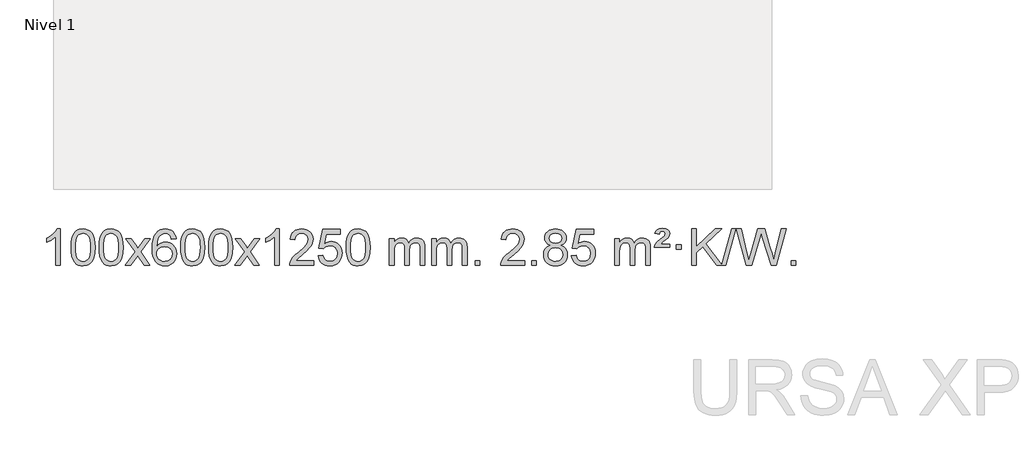
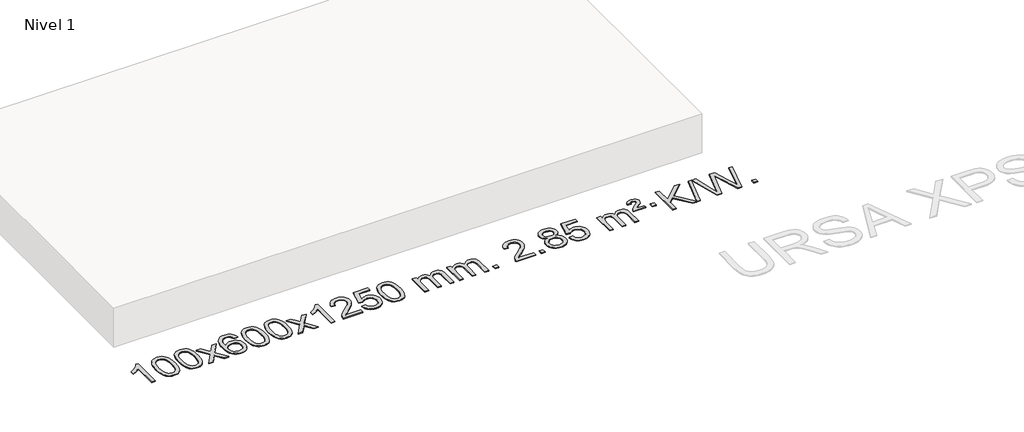
# One storey, part 2 of 7: 1 proxy.
"""IFC4 building model written with IfcOpenShell, lengths in millimetres."""

from ifc_helpers import new_model, si_unit, origin, origin_with_axes, place, context, project, spatial, polyline, outline, extrude, element, save

model = new_model("IFC4")

# Units and contexts
model_context = context("Model", 3, world=origin())
ifc_project = project(units=[si_unit("LENGTHUNIT", "METRE", prefix="MILLI")], contexts=[model_context])

# Site, building, storey
site = spatial("IfcSite", under=ifc_project)
building = spatial("IfcBuilding", under=site)
storey = spatial("IfcBuildingStorey", under=building, Name="Nivel 1", Elevation=0.0)

# Proxy
placement = place(None, origin())
element("IfcBuildingElementProxy", 1, Name="Texto de modelo 1", ObjectType="Texto de modelo 1", at=placement, inside=storey, context=model_context, shape_type="SweptSolid", body=[
    extrude(outline(polyline([(-25945.4422492, -12784.6168569), (-25995.6704043, -12784.6168569), (-25995.6704043, -12471.4757026), (-26016.639678, -12488.4350626), (-26043.249809, -12505.3698971), (-26096.1267145, -12530.7292293), (-26096.1267145, -12483.2479264), (-26056.6775018, -12461.7881434), (-26022.5012645, -12436.2571329), (-25995.5600397, -12409.1074417), (-25977.8158648, -12382.7916163), (-25945.4422492, -12382.7916163), (-25945.4422492, -12784.6168569)])), origin_with_axes(), (0.0, 0.0, 1.0), 10.0),
    extrude(outline(polyline([(-25826.1503809, -12586.9415981), (-25822.4592982, -12522.6235626), (-25811.3860502, -12471.3285498), (-25793.0410014, -12432.2717446), (-25781.1829384, -12417.0383643), (-25767.5345164, -12404.6683323), (-25752.0497501, -12395.097269), (-25734.6826542, -12388.2607953), (-25694.3014739, -12382.7916163), (-25663.3503353, -12386.0289778), (-25635.6365584, -12395.7410625), (-25612.4599927, -12411.5477256), (-25595.120488, -12433.0688223), (-25582.0238889, -12460.1204117), (-25571.5760403, -12492.5185527), (-25564.7334352, -12533.6600225), (-25562.4525668, -12586.9415981), (-25566.1068613, -12650.8917516), (-25577.0697447, -12702.0641372), (-25595.304429, -12741.1577305), (-25607.1349008, -12756.437096), (-25620.7741258, -12768.8715075), (-25636.2772862, -12778.5069501), (-25653.6995643, -12785.3894091), (-25694.3014739, -12790.8953763), (-25721.9661999, -12788.5041433), (-25746.4916662, -12781.3304444), (-25767.8778729, -12769.3742795), (-25786.1248199, -12752.6356488), (-25803.6360028, -12722.3773547), (-25816.1439907, -12684.6755815), (-25823.6487834, -12639.5303293), (-25826.1503809, -12586.9415981)]), holes=[polyline([(-25775.9222259, -12586.8434963), (-25774.4506979, -12630.5080234), (-25770.0361139, -12665.8522861), (-25762.678474, -12692.8762843), (-25752.3777782, -12711.5800181), (-25739.9188413, -12724.3056694), (-25726.0864782, -12733.3954204), (-25710.8806891, -12738.849271), (-25694.3014739, -12740.6672212), (-25677.7222586, -12738.8431396), (-25662.5164695, -12733.3708949), (-25648.6841065, -12724.2504871), (-25636.2251696, -12711.4819162), (-25625.9244737, -12692.7475256), (-25618.5668338, -12665.7296588), (-25614.1522498, -12630.4283156), (-25612.6807219, -12586.8434963), (-25614.1031989, -12544.3347317), (-25618.3706301, -12509.6128027), (-25625.4830153, -12482.6777093), (-25635.4403546, -12463.5294515), (-25647.6908251, -12450.1814664), (-25661.6826036, -12440.6471914), (-25677.4156903, -12434.9266264), (-25694.8900851, -12433.0197713), (-25711.3834612, -12434.6997658), (-25726.3317329, -12439.7397491), (-25739.7349003, -12448.1397213), (-25751.5929632, -12459.8996825), (-25762.2370156, -12480.7463289), (-25769.8399102, -12508.8525133), (-25774.4016469, -12544.2182358), (-25775.9222259, -12586.8434963)])]), origin_with_axes(), (0.0, 0.0, 1.0), 10.0),
    extrude(outline(polyline([(-25518.5029311, -12586.9415981), (-25514.8118484, -12522.6235626), (-25503.7386004, -12471.3285498), (-25485.3935515, -12432.2717446), (-25473.5354886, -12417.0383643), (-25459.8870665, -12404.6683323), (-25444.4023002, -12395.097269), (-25427.0352044, -12388.2607953), (-25386.654024, -12382.7916163), (-25355.7028855, -12386.0289778), (-25327.9891085, -12395.7410625), (-25304.8125428, -12411.5477256), (-25287.4730381, -12433.0688223), (-25274.3764391, -12460.1204117), (-25263.9285904, -12492.5185527), (-25257.0859853, -12533.6600225), (-25254.805117, -12586.9415981), (-25258.4594114, -12650.8917516), (-25269.4222949, -12702.0641372), (-25287.6569791, -12741.1577305), (-25299.487451, -12756.437096), (-25313.1266759, -12768.8715075), (-25328.6298363, -12778.5069501), (-25346.0521145, -12785.3894091), (-25386.654024, -12790.8953763), (-25414.3187501, -12788.5041433), (-25438.8442164, -12781.3304444), (-25460.2304231, -12769.3742795), (-25478.47737, -12752.6356488), (-25495.988553, -12722.3773547), (-25508.4965408, -12684.6755815), (-25516.0013335, -12639.5303293), (-25518.5029311, -12586.9415981)]), holes=[polyline([(-25468.274776, -12586.8434963), (-25466.803248, -12630.5080234), (-25462.3886641, -12665.8522861), (-25455.0310242, -12692.8762843), (-25444.7303283, -12711.5800181), (-25432.2713914, -12724.3056694), (-25418.4390284, -12733.3954204), (-25403.2332393, -12738.849271), (-25386.654024, -12740.6672212), (-25370.0748088, -12738.8431396), (-25354.8690196, -12733.3708949), (-25341.0366566, -12724.2504871), (-25328.5777197, -12711.4819162), (-25318.2770239, -12692.7475256), (-25310.919384, -12665.7296588), (-25306.5048, -12630.4283156), (-25305.033272, -12586.8434963), (-25306.4557491, -12544.3347317), (-25310.7231802, -12509.6128027), (-25317.8355655, -12482.6777093), (-25327.7929048, -12463.5294515), (-25340.0433752, -12450.1814664), (-25354.0351538, -12440.6471914), (-25369.7682404, -12434.9266264), (-25387.2426352, -12433.0197713), (-25403.7360113, -12434.6997658), (-25418.6842831, -12439.7397491), (-25432.0874504, -12448.1397213), (-25443.9455134, -12459.8996825), (-25454.5895658, -12480.7463289), (-25462.1924604, -12508.8525133), (-25466.7541971, -12544.2182358), (-25468.274776, -12586.8434963)])]), origin_with_axes(), (0.0, 0.0, 1.0), 10.0),
    extrude(outline(polyline([(-25229.6910394, -12784.6168569), (-25122.3675987, -12636.2868364), (-25223.41252, -12489.5264458), (-25162.981771, -12489.5264458), (-25114.2251439, -12560.1597889), (-25091.4655111, -12593.5144231), (-25071.7470362, -12566.2421045), (-25016.2213804, -12489.5264458), (-24955.7906313, -12489.5264458), (-25061.9368496, -12636.2868364), (-24959.7147059, -12784.6168569), (-25020.145455, -12784.6168569), (-25081.6553246, -12695.4422612), (-25092.9370391, -12679.1573516), (-25169.2602903, -12784.6168569), (-25229.6910394, -12784.6168569)])), origin_with_axes(), (0.0, 0.0, 1.0), 10.0),
    extrude(outline(polyline([(-24670.9028142, -12489.5264458), (-24721.1309693, -12495.8049652), (-24729.2243732, -12470.9116168), (-24740.1627312, -12453.9154687), (-24762.9468894, -12438.2436957), (-24790.4889881, -12433.0197713), (-24813.8372321, -12436.0609292), (-24835.8120499, -12445.1844027), (-24854.6843963, -12464.4001055), (-24870.0986519, -12490.850821), (-24880.5097123, -12528.2644199), (-24884.3724733, -12580.3687731), (-24864.2248027, -12556.8611137), (-24840.0794811, -12540.2941611), (-24813.2854091, -12530.4717119), (-24785.1914874, -12527.1975621), (-24761.0584285, -12529.4355109), (-24738.7893051, -12536.1493573), (-24718.3841171, -12547.3391013), (-24699.8428645, -12563.004743), (-24684.4347403, -12582.2143145), (-24673.4289372, -12604.0358482), (-24666.8254554, -12628.469344), (-24664.6242948, -12655.514802), (-24668.7690986, -12691.4813984), (-24681.2035101, -12724.8237699), (-24700.8974596, -12753.1016326), (-24726.8208775, -12773.8747026), (-24757.7965415, -12786.6402078), (-24792.6472291, -12790.8953763), (-24822.5897579, -12788.0749476), (-24849.6321502, -12779.6136617), (-24873.7744061, -12765.5115186), (-24895.0165257, -12745.7685182), (-24912.3345706, -12719.5507947), (-24924.7046027, -12686.0244822), (-24932.1266219, -12645.1895807), (-24934.6006284, -12597.0460903), (-24931.8537761, -12543.0716702), (-24923.6132194, -12497.006713), (-24909.8789583, -12458.8512188), (-24890.6509927, -12428.6051874), (-24869.8104776, -12408.56175), (-24845.6467619, -12394.2450091), (-24818.1598455, -12385.6549645), (-24787.3497284, -12382.7916163), (-24764.2160823, -12384.5635812), (-24743.2774654, -12389.879476), (-24724.5338777, -12398.7393008), (-24707.9853193, -12411.1430554), (-24694.0793799, -12426.6738069), (-24683.2636492, -12444.9146225), (-24675.5381274, -12465.8655021), (-24670.9028142, -12489.5264458)]), holes=[polyline([(-24884.3724733, -12654.7299871), (-24881.4662055, -12676.9868478), (-24872.7474022, -12698.2381644), (-24859.2093448, -12716.5096368), (-24841.8453146, -12729.8269651), (-24820.8883036, -12737.9571571), (-24796.5713038, -12740.6672212), (-24763.425136, -12735.0508894), (-24749.5099995, -12728.0304746), (-24737.366828, -12718.201894), (-24727.5167876, -12705.9636863), (-24720.4810444, -12691.7143904), (-24714.8524499, -12657.1825337), (-24720.407468, -12624.036366), (-24727.3512407, -12610.4155351), (-24737.0725224, -12598.7628729), (-24749.2524821, -12589.4278673), (-24763.5722888, -12582.7600061), (-24798.6314429, -12577.4257172), (-24831.7285598, -12582.7600061), (-24859.4055485, -12598.7628729), (-24870.3285781, -12610.2622509), (-24878.1307421, -12623.4232293), (-24882.8120405, -12638.245808), (-24884.3724733, -12654.7299871)])]), origin_with_axes(), (0.0, 0.0, 1.0), 10.0),
    extrude(outline(polyline([(-24620.6746591, -12586.9415981), (-24616.9835765, -12522.6235626), (-24605.9103284, -12471.3285498), (-24587.5652796, -12432.2717446), (-24575.7072166, -12417.0383643), (-24562.0587946, -12404.6683323), (-24546.5740283, -12395.097269), (-24529.2069324, -12388.2607953), (-24488.8257521, -12382.7916163), (-24457.8746135, -12386.0289778), (-24430.1608366, -12395.7410625), (-24406.9842709, -12411.5477256), (-24389.6447662, -12433.0688223), (-24376.5481671, -12460.1204117), (-24366.1003185, -12492.5185527), (-24359.2577134, -12533.6600225), (-24356.976845, -12586.9415981), (-24360.6311395, -12650.8917516), (-24371.5940229, -12702.0641372), (-24389.8287072, -12741.1577305), (-24401.659179, -12756.437096), (-24415.298404, -12768.8715075), (-24430.8015644, -12778.5069501), (-24448.2238425, -12785.3894091), (-24488.8257521, -12790.8953763), (-24516.4904781, -12788.5041433), (-24541.0159444, -12781.3304444), (-24562.4021511, -12769.3742795), (-24580.6490981, -12752.6356488), (-24598.160281, -12722.3773547), (-24610.6682689, -12684.6755815), (-24618.1730616, -12639.5303293), (-24620.6746591, -12586.9415981)]), holes=[polyline([(-24570.4465041, -12586.8434963), (-24568.9749761, -12630.5080234), (-24564.5603921, -12665.8522861), (-24557.2027522, -12692.8762843), (-24546.9020564, -12711.5800181), (-24534.4431195, -12724.3056694), (-24520.6107564, -12733.3954204), (-24505.4049673, -12738.849271), (-24488.8257521, -12740.6672212), (-24472.2465368, -12738.8431396), (-24457.0407477, -12733.3708949), (-24443.2083847, -12724.2504871), (-24430.7494478, -12711.4819162), (-24420.4487519, -12692.7475256), (-24413.091112, -12665.7296588), (-24408.676528, -12630.4283156), (-24407.2050001, -12586.8434963), (-24408.6274771, -12544.3347317), (-24412.8949083, -12509.6128027), (-24420.0072935, -12482.6777093), (-24429.9646328, -12463.5294515), (-24442.2151033, -12450.1814664), (-24456.2068818, -12440.6471914), (-24471.9399685, -12434.9266264), (-24489.4143633, -12433.0197713), (-24505.9077394, -12434.6997658), (-24520.8560111, -12439.7397491), (-24534.2591785, -12448.1397213), (-24546.1172414, -12459.8996825), (-24556.7612938, -12480.7463289), (-24564.3641884, -12508.8525133), (-24568.9259251, -12544.2182358), (-24570.4465041, -12586.8434963)])]), origin_with_axes(), (0.0, 0.0, 1.0), 10.0),
    extrude(outline(polyline([(-24313.0272093, -12586.9415981), (-24309.3361266, -12522.6235626), (-24298.2628786, -12471.3285498), (-24279.9178297, -12432.2717446), (-24268.0597668, -12417.0383643), (-24254.4113447, -12404.6683323), (-24238.9265784, -12395.097269), (-24221.5594826, -12388.2607953), (-24181.1783022, -12382.7916163), (-24150.2271637, -12386.0289778), (-24122.5133867, -12395.7410625), (-24099.336821, -12411.5477256), (-24081.9973163, -12433.0688223), (-24068.9007173, -12460.1204117), (-24058.4528686, -12492.5185527), (-24051.6102635, -12533.6600225), (-24049.3293952, -12586.9415981), (-24052.9836896, -12650.8917516), (-24063.9465731, -12702.0641372), (-24082.1812573, -12741.1577305), (-24094.0117292, -12756.437096), (-24107.6509541, -12768.8715075), (-24123.1541145, -12778.5069501), (-24140.5763927, -12785.3894091), (-24181.1783022, -12790.8953763), (-24208.8430283, -12788.5041433), (-24233.3684946, -12781.3304444), (-24254.7547013, -12769.3742795), (-24273.0016482, -12752.6356488), (-24290.5128312, -12722.3773547), (-24303.020819, -12684.6755815), (-24310.5256117, -12639.5303293), (-24313.0272093, -12586.9415981)]), holes=[polyline([(-24262.7990542, -12586.8434963), (-24261.3275262, -12630.5080234), (-24256.9129423, -12665.8522861), (-24249.5553024, -12692.8762843), (-24239.2546065, -12711.5800181), (-24226.7956696, -12724.3056694), (-24212.9633066, -12733.3954204), (-24197.7575175, -12738.849271), (-24181.1783022, -12740.6672212), (-24164.599087, -12738.8431396), (-24149.3932978, -12733.3708949), (-24135.5609348, -12724.2504871), (-24123.1019979, -12711.4819162), (-24112.8013021, -12692.7475256), (-24105.4436622, -12665.7296588), (-24101.0290782, -12630.4283156), (-24099.5575502, -12586.8434963), (-24100.9800273, -12544.3347317), (-24105.2474584, -12509.6128027), (-24112.3598437, -12482.6777093), (-24122.317183, -12463.5294515), (-24134.5676534, -12450.1814664), (-24148.559432, -12440.6471914), (-24164.2925187, -12434.9266264), (-24181.7669134, -12433.0197713), (-24198.2602895, -12434.6997658), (-24213.2085613, -12439.7397491), (-24226.6117286, -12448.1397213), (-24238.4697916, -12459.8996825), (-24249.113844, -12480.7463289), (-24256.7167386, -12508.8525133), (-24261.2784753, -12544.2182358), (-24262.7990542, -12586.8434963)])]), origin_with_axes(), (0.0, 0.0, 1.0), 10.0),
    extrude(outline(polyline([(-24024.2153176, -12784.6168569), (-23916.8918769, -12636.2868364), (-24017.9367982, -12489.5264458), (-23957.5060492, -12489.5264458), (-23908.7494221, -12560.1597889), (-23885.9897893, -12593.5144231), (-23866.2713144, -12566.2421045), (-23810.7456586, -12489.5264458), (-23750.3149095, -12489.5264458), (-23856.4611278, -12636.2868364), (-23754.2389841, -12784.6168569), (-23814.6697332, -12784.6168569), (-23876.1796028, -12695.4422612), (-23887.4613173, -12679.1573516), (-23963.7845685, -12784.6168569), (-24024.2153176, -12784.6168569)])), origin_with_axes(), (0.0, 0.0, 1.0), 10.0),
    extrude(outline(polyline([(-23534.4908056, -12784.6168569), (-23584.7189607, -12784.6168569), (-23584.7189607, -12471.4757026), (-23605.6882344, -12488.4350626), (-23632.2983654, -12505.3698971), (-23685.1752709, -12530.7292293), (-23685.1752709, -12483.2479264), (-23645.7260583, -12461.7881434), (-23611.5498209, -12436.2571329), (-23584.6085961, -12409.1074417), (-23566.8644212, -12382.7916163), (-23534.4908056, -12382.7916163), (-23534.4908056, -12784.6168569)])), origin_with_axes(), (0.0, 0.0, 1.0), 10.0),
    extrude(outline(polyline([(-23157.7796426, -12734.3887018), (-23157.7796426, -12784.6168569), (-23421.4774567, -12784.6168569), (-23420.3738107, -12766.9339956), (-23416.0818541, -12749.9868984), (-23403.6964936, -12722.9230463), (-23385.572174, -12696.6685346), (-23359.3544505, -12669.1877495), (-23322.6888783, -12638.4450775), (-23268.4875977, -12590.301587), (-23235.9668293, -12554.7641863), (-23219.7064451, -12525.9222379), (-23214.286317, -12497.8651044), (-23219.3998768, -12472.7142386), (-23234.740556, -12451.8062786), (-23258.3217919, -12437.7163982), (-23288.1570217, -12433.0197713), (-23319.4883049, -12437.6060336), (-23343.8298303, -12451.3648202), (-23359.5383915, -12473.2170107), (-23364.9707823, -12502.0834846), (-23415.1989373, -12495.8049652), (-23410.8793896, -12469.8754159), (-23403.0220433, -12447.2200164), (-23391.6268985, -12427.8387666), (-23376.6939552, -12411.7316666), (-23358.5665699, -12399.0703946), (-23337.5880991, -12390.0266288), (-23313.7585429, -12384.6003694), (-23287.0779012, -12382.7916163), (-23260.1581362, -12384.8027045), (-23236.1998212, -12390.8359692), (-23215.2029563, -12400.8914104), (-23197.1675415, -12414.9690281), (-23182.682188, -12432.02649), (-23172.3355069, -12451.0214636), (-23166.1274982, -12471.9539492), (-23164.058162, -12494.8239465), (-23166.2899794, -12518.8466408), (-23172.9854317, -12542.4524022), (-23184.8680202, -12566.4628337), (-23202.661246, -12591.6995386), (-23231.0249478, -12621.829074), (-23274.6189643, -12660.5179972), (-23332.400963, -12708.8331659), (-23355.0624939, -12734.3887018), (-23157.7796426, -12734.3887018)])), origin_with_axes(), (0.0, 0.0, 1.0), 10.0),
    extrude(outline(polyline([(-23107.5514875, -12677.8820273), (-23057.3233324, -12671.603508), (-23048.1017571, -12701.7575688), (-23032.0130512, -12723.3522419), (-23009.1307911, -12736.3384764), (-22979.5285532, -12740.6672212), (-22960.3986894, -12739.1619707), (-22943.5251686, -12734.6462192), (-22928.9079907, -12727.1199667), (-22916.5471556, -12716.5832132), (-22906.718575, -12703.5571249), (-22899.6981602, -12688.5628679), (-22894.0818284, -12652.6698479), (-22899.342541, -12618.8737553), (-22905.9184316, -12604.9555532), (-22915.1246786, -12593.0239138), (-22926.9919386, -12583.4528505), (-22941.5508686, -12576.6163768), (-22978.7437383, -12571.1471978), (-23003.1097891, -12573.3299643), (-23022.8405268, -12579.8782638), (-23038.5981389, -12589.9091796), (-23051.044813, -12602.5397947), (-23101.2729681, -12596.2612753), (-23057.3233324, -12389.0701357), (-22862.6892315, -12389.0701357), (-22862.6892315, -12439.2982907), (-23016.7091602, -12439.2982907), (-23038.1934687, -12549.9571949), (-23020.4676879, -12537.2530033), (-23002.3127114, -12528.1785808), (-22983.7285393, -12522.7339272), (-22964.7151715, -12520.9190427), (-22940.2540845, -12523.1692543), (-22917.7856917, -12529.9198889), (-22897.3099929, -12541.1709466), (-22878.8269884, -12556.9224273), (-22863.5261631, -12576.2117066), (-22852.5970021, -12598.0761598), (-22846.0395056, -12622.5157871), (-22843.8536734, -12649.5305882), (-22845.821842, -12675.552108), (-22851.7263481, -12699.7587433), (-22861.5671914, -12722.1504941), (-22875.3443722, -12742.7273604), (-22896.215544, -12763.8008673), (-22920.5693321, -12778.8533723), (-22948.4057364, -12787.8848753), (-22979.7247569, -12790.8953763), (-23005.6451092, -12788.9609301), (-23029.0577325, -12783.1575916), (-23049.9626268, -12773.4853608), (-23068.3597923, -12759.9442377), (-23083.666749, -12743.2086726), (-23095.3010171, -12723.9531159), (-23103.2625966, -12702.1775674), (-23107.5514875, -12677.8820273)])), origin_with_axes(), (0.0, 0.0, 1.0), 10.0),
    extrude(outline(polyline([(-22799.9040377, -12586.9415981), (-22796.212955, -12522.6235626), (-22785.1397069, -12471.3285498), (-22766.7946581, -12432.2717446), (-22754.9365951, -12417.0383643), (-22741.2881731, -12404.6683323), (-22725.8034068, -12395.097269), (-22708.4363109, -12388.2607953), (-22668.0551306, -12382.7916163), (-22637.1039921, -12386.0289778), (-22609.3902151, -12395.7410625), (-22586.2136494, -12411.5477256), (-22568.8741447, -12433.0688223), (-22555.7775457, -12460.1204117), (-22545.329697, -12492.5185527), (-22538.4870919, -12533.6600225), (-22536.2062235, -12586.9415981), (-22539.860518, -12650.8917516), (-22550.8234015, -12702.0641372), (-22569.0580857, -12741.1577305), (-22580.8885575, -12756.437096), (-22594.5277825, -12768.8715075), (-22610.0309429, -12778.5069501), (-22627.4532211, -12785.3894091), (-22668.0551306, -12790.8953763), (-22695.7198566, -12788.5041433), (-22720.245323, -12781.3304444), (-22741.6315296, -12769.3742795), (-22759.8784766, -12752.6356488), (-22777.3896596, -12722.3773547), (-22789.8976474, -12684.6755815), (-22797.4024401, -12639.5303293), (-22799.9040377, -12586.9415981)]), holes=[polyline([(-22749.6758826, -12586.8434963), (-22748.2043546, -12630.5080234), (-22743.7897707, -12665.8522861), (-22736.4321308, -12692.8762843), (-22726.1314349, -12711.5800181), (-22713.672498, -12724.3056694), (-22699.840135, -12733.3954204), (-22684.6343459, -12738.849271), (-22668.0551306, -12740.6672212), (-22651.4759154, -12738.8431396), (-22636.2701262, -12733.3708949), (-22622.4377632, -12724.2504871), (-22609.9788263, -12711.4819162), (-22599.6781304, -12692.7475256), (-22592.3204905, -12665.7296588), (-22587.9059066, -12630.4283156), (-22586.4343786, -12586.8434963), (-22587.8568557, -12544.3347317), (-22592.1242868, -12509.6128027), (-22599.236672, -12482.6777093), (-22609.1940114, -12463.5294515), (-22621.4444818, -12450.1814664), (-22635.4362604, -12440.6471914), (-22651.169347, -12434.9266264), (-22668.6437418, -12433.0197713), (-22685.1371179, -12434.6997658), (-22700.0853897, -12439.7397491), (-22713.488557, -12448.1397213), (-22725.34662, -12459.8996825), (-22735.9906724, -12480.7463289), (-22743.5935669, -12508.8525133), (-22748.1553037, -12544.2182358), (-22749.6758826, -12586.8434963)])]), origin_with_axes(), (0.0, 0.0, 1.0), 10.0),
    extrude(outline(polyline([(-22322.7365645, -12784.6168569), (-22322.7365645, -12489.5264458), (-22272.5084094, -12489.5264458), (-22272.5084094, -12538.0868692), (-22257.4007221, -12515.7809575), (-22237.9765528, -12498.3065628), (-22214.8980889, -12487.0125855), (-22188.8275182, -12483.2479264), (-22160.8930121, -12487.0861619), (-22138.5012613, -12498.6008684), (-22121.7748932, -12517.0317563), (-22110.8365352, -12541.6185363), (-22092.5282746, -12516.0813945), (-22071.64484, -12497.8405789), (-22048.1862315, -12486.8960895), (-22022.1524489, -12483.2479264), (-22002.0446322, -12484.7654397), (-21984.3954935, -12489.3179793), (-21969.2050328, -12496.9055455), (-21956.4732501, -12507.5281381), (-21946.4086118, -12521.3083845), (-21939.2195845, -12538.368912), (-21934.9061681, -12558.7097207), (-21933.4683626, -12582.3308105), (-21933.4683626, -12784.6168569), (-21983.6965177, -12784.6168569), (-21983.6965177, -12603.9132208), (-21984.8614774, -12578.860457), (-21988.3563563, -12561.9746734), (-21994.9046558, -12550.410916), (-22005.2298772, -12541.3242307), (-22018.5104172, -12535.4381188), (-22033.9246728, -12533.4760815), (-22061.1356777, -12538.5038021), (-22083.318962, -12553.5869639), (-22091.924335, -12565.1568526), (-22098.07103, -12579.7556365), (-22102.988386, -12618.0398895), (-22102.988386, -12784.6168569), (-22153.2165411, -12784.6168569), (-22153.2165411, -12598.3214145), (-22156.1228088, -12569.9209245), (-22164.8416121, -12549.6628893), (-22180.1822913, -12537.5227834), (-22202.9541868, -12533.4760815), (-22222.3047798, -12536.1738828), (-22240.1347938, -12544.2672867), (-22254.8500736, -12557.5600894), (-22264.8564639, -12575.8560873), (-22270.595423, -12601.239945), (-22272.5084094, -12635.7963271), (-22272.5084094, -12784.6168569), (-22322.7365645, -12784.6168569)])), origin_with_axes(), (0.0, 0.0, 1.0), 10.0),
    extrude(outline(polyline([(-21858.12613, -12784.6168569), (-21858.12613, -12489.5264458), (-21807.8979749, -12489.5264458), (-21807.8979749, -12538.0868692), (-21792.7902877, -12515.7809575), (-21773.3661183, -12498.3065628), (-21750.2876545, -12487.0125855), (-21724.2170838, -12483.2479264), (-21696.2825776, -12487.0861619), (-21673.8908268, -12498.6008684), (-21657.1644588, -12517.0317563), (-21646.2261008, -12541.6185363), (-21627.9178402, -12516.0813945), (-21607.0344056, -12497.8405789), (-21583.575797, -12486.8960895), (-21557.5420145, -12483.2479264), (-21537.4341978, -12484.7654397), (-21519.7850591, -12489.3179793), (-21504.5945983, -12496.9055455), (-21491.8628156, -12507.5281381), (-21481.7981774, -12521.3083845), (-21474.6091501, -12538.368912), (-21470.2957337, -12558.7097207), (-21468.8579282, -12582.3308105), (-21468.8579282, -12784.6168569), (-21519.0860833, -12784.6168569), (-21519.0860833, -12603.9132208), (-21520.2510429, -12578.860457), (-21523.7459219, -12561.9746734), (-21530.2942214, -12550.410916), (-21540.6194427, -12541.3242307), (-21553.8999827, -12535.4381188), (-21569.3142383, -12533.4760815), (-21596.5252433, -12538.5038021), (-21618.7085276, -12553.5869639), (-21627.3139006, -12565.1568526), (-21633.4605956, -12579.7556365), (-21638.3779516, -12618.0398895), (-21638.3779516, -12784.6168569), (-21688.6061066, -12784.6168569), (-21688.6061066, -12598.3214145), (-21691.5123744, -12569.9209245), (-21700.2311777, -12549.6628893), (-21715.5718569, -12537.5227834), (-21738.3437524, -12533.4760815), (-21757.6943453, -12536.1738828), (-21775.5243594, -12544.2672867), (-21790.2396392, -12557.5600894), (-21800.2460294, -12575.8560873), (-21805.9849886, -12601.239945), (-21807.8979749, -12635.7963271), (-21807.8979749, -12784.6168569), (-21858.12613, -12784.6168569)])), origin_with_axes(), (0.0, 0.0, 1.0), 10.0),
    extrude(outline(polyline([(-21380.9586568, -12784.6168569), (-21380.9586568, -12734.3887018), (-21330.7305017, -12734.3887018), (-21330.7305017, -12784.6168569), (-21380.9586568, -12784.6168569)])), origin_with_axes(), (0.0, 0.0, 1.0), 10.0),
    extrude(outline(polyline([(-20834.7274704, -12734.3887018), (-20834.7274704, -12784.6168569), (-21098.4252845, -12784.6168569), (-21097.3216385, -12766.9339956), (-21093.0296819, -12749.9868984), (-21080.6443214, -12722.9230463), (-21062.5200018, -12696.6685346), (-21036.3022783, -12669.1877495), (-20999.6367061, -12638.4450775), (-20945.4354255, -12590.301587), (-20912.9146571, -12554.7641863), (-20896.6542729, -12525.9222379), (-20891.2341448, -12497.8651044), (-20896.3477046, -12472.7142386), (-20911.6883838, -12451.8062786), (-20935.2696197, -12437.7163982), (-20965.1048495, -12433.0197713), (-20996.4361327, -12437.6060336), (-21020.7776581, -12451.3648202), (-21036.4862193, -12473.2170107), (-21041.9186101, -12502.0834846), (-21092.1467651, -12495.8049652), (-21087.8272174, -12469.8754159), (-21079.9698711, -12447.2200164), (-21068.5747263, -12427.8387666), (-21053.641783, -12411.7316666), (-21035.5143977, -12399.0703946), (-21014.5359269, -12390.0266288), (-20990.7063706, -12384.6003694), (-20964.0257289, -12382.7916163), (-20937.1059639, -12384.8027045), (-20913.147649, -12390.8359692), (-20892.1507841, -12400.8914104), (-20874.1153693, -12414.9690281), (-20859.6300158, -12432.02649), (-20849.2833346, -12451.0214636), (-20843.075326, -12471.9539492), (-20841.0059898, -12494.8239465), (-20843.2378072, -12518.8466408), (-20849.9332595, -12542.4524022), (-20861.815848, -12566.4628337), (-20879.6090738, -12591.6995386), (-20907.9727756, -12621.829074), (-20951.566792, -12660.5179972), (-21009.3487908, -12708.8331659), (-21032.0103217, -12734.3887018), (-20834.7274704, -12734.3887018)])), origin_with_axes(), (0.0, 0.0, 1.0), 10.0),
    extrude(outline(polyline([(-20759.3852378, -12784.6168569), (-20759.3852378, -12734.3887018), (-20709.1570827, -12734.3887018), (-20709.1570827, -12784.6168569), (-20759.3852378, -12784.6168569)])), origin_with_axes(), (0.0, 0.0, 1.0), 10.0),
    extrude(outline(polyline([(-20554.3523391, -12563.2990486), (-20581.244513, -12550.0552967), (-20600.1168593, -12532.1026554), (-20611.2636838, -12509.8090065), (-20614.9792919, -12483.542232), (-20612.9559409, -12463.0573363), (-20606.885888, -12444.2769604), (-20596.7691332, -12427.2011045), (-20582.6056763, -12411.8297684), (-20565.0760993, -12399.1255769), (-20544.8609836, -12390.0511543), (-20521.9603294, -12384.6065008), (-20496.3741367, -12382.7916163), (-20470.6653166, -12384.6494203), (-20447.5929841, -12390.2228326), (-20427.1571393, -12399.511853), (-20409.3577821, -12412.5164815), (-20394.9368079, -12428.1882545), (-20384.636112, -12445.4787082), (-20378.4556945, -12464.3878428), (-20376.3955553, -12484.9156581), (-20380.0621125, -12510.336304), (-20391.0617842, -12532.2498082), (-20409.5171976, -12550.0920849), (-20435.5509801, -12563.2990486), (-20404.6366298, -12579.228339), (-20382.1345144, -12602.6869475), (-20368.412516, -12632.5467028), (-20363.8385165, -12667.6794333), (-20366.1071222, -12692.7321972), (-20372.9129391, -12715.7002964), (-20384.2559673, -12736.583731), (-20400.1362067, -12755.382501), (-20419.7197916, -12770.9193839), (-20442.1728561, -12782.0171574), (-20467.4954001, -12788.6758215), (-20495.6874236, -12790.8953763), (-20523.8794472, -12788.6666245), (-20549.2019912, -12781.9803692), (-20571.6550556, -12770.8366105), (-20591.2386405, -12755.2353482), (-20607.11888, -12736.3047539), (-20618.4619081, -12715.1729989), (-20625.2677251, -12691.8400834), (-20627.5363307, -12666.3060072), (-20622.7783902, -12629.8121133), (-20608.5045688, -12599.7929425), (-20585.4506304, -12577.2785644), (-20554.3523391, -12563.2990486)]), holes=[polyline([(-20564.7511368, -12485.01376), (-20560.2997647, -12506.9395269), (-20546.9456483, -12524.4507099), (-20525.081195, -12535.9286281), (-20495.0988124, -12539.7546009), (-20465.8154056, -12535.9531536), (-20444.2820462, -12524.5488117), (-20431.0382943, -12507.62624), (-20426.6237104, -12487.2701029), (-20431.1854471, -12466.1414136), (-20444.8706574, -12448.6670189), (-20466.6983224, -12436.9315832), (-20495.6874236, -12433.0197713), (-20524.8604658, -12436.8457441), (-20546.6513427, -12448.3236623), (-20560.2261883, -12465.1481323), (-20564.7511368, -12485.01376)]), polyline([(-20577.3081756, -12664.5401736), (-20575.2112482, -12683.7558765), (-20568.9204661, -12702.3584427), (-20557.3076578, -12718.5820387), (-20539.2446518, -12730.6608309), (-20517.6131905, -12738.1656236), (-20495.2950162, -12740.6672212), (-20461.1065161, -12735.4065086), (-20447.2128394, -12728.830618), (-20435.4528783, -12719.6243711), (-20419.4132233, -12695.7243041), (-20414.0666716, -12666.1098035), (-20419.5849015, -12635.9925308), (-20436.1395913, -12611.5651663), (-20448.2183835, -12602.1228618), (-20462.3818403, -12595.3783586), (-20496.9627479, -12589.982756), (-20530.6730014, -12595.3047822), (-20544.4103282, -12601.9573149), (-20556.0691218, -12611.2708607), (-20571.9984122, -12635.2322414), (-20577.3081756, -12664.5401736)])]), origin_with_axes(), (0.0, 0.0, 1.0), 10.0),
    extrude(outline(polyline([(-20319.8888809, -12677.8820273), (-20269.6607258, -12671.603508), (-20260.4391504, -12701.7575688), (-20244.3504445, -12723.3522419), (-20221.4681844, -12736.3384764), (-20191.8659465, -12740.6672212), (-20172.7360828, -12739.1619707), (-20155.8625619, -12734.6462192), (-20141.245384, -12727.1199667), (-20128.884549, -12716.5832132), (-20119.0559683, -12703.5571249), (-20112.0355536, -12688.5628679), (-20106.4192218, -12652.6698479), (-20111.6799343, -12618.8737553), (-20118.255825, -12604.9555532), (-20127.4620719, -12593.0239138), (-20139.3293319, -12583.4528505), (-20153.8882619, -12576.6163768), (-20191.0811316, -12571.1471978), (-20215.4471824, -12573.3299643), (-20235.1779201, -12579.8782638), (-20250.9355322, -12589.9091796), (-20263.3822064, -12602.5397947), (-20313.6103615, -12596.2612753), (-20269.6607258, -12389.0701357), (-20075.0266249, -12389.0701357), (-20075.0266249, -12439.2982907), (-20229.0465535, -12439.2982907), (-20250.530862, -12549.9571949), (-20232.8050812, -12537.2530033), (-20214.6501048, -12528.1785808), (-20196.0659326, -12522.7339272), (-20177.0525649, -12520.9190427), (-20152.5914779, -12523.1692543), (-20130.123085, -12529.9198889), (-20109.6473863, -12541.1709466), (-20091.1643817, -12556.9224273), (-20075.8635564, -12576.2117066), (-20064.9343955, -12598.0761598), (-20058.3768989, -12622.5157871), (-20056.1910667, -12649.5305882), (-20058.1592354, -12675.552108), (-20064.0637414, -12699.7587433), (-20073.9045848, -12722.1504941), (-20087.6817655, -12742.7273604), (-20108.5529374, -12763.8008673), (-20132.9067254, -12778.8533723), (-20160.7431297, -12787.8848753), (-20192.0621503, -12790.8953763), (-20217.9825025, -12788.9609301), (-20241.3951258, -12783.1575916), (-20262.3000202, -12773.4853608), (-20280.6971856, -12759.9442377), (-20296.0041423, -12743.2086726), (-20307.6384104, -12723.9531159), (-20315.5999899, -12702.1775674), (-20319.8888809, -12677.8820273)])), origin_with_axes(), (0.0, 0.0, 1.0), 10.0),
    extrude(outline(polyline([(-19842.7214076, -12784.6168569), (-19842.7214076, -12489.5264458), (-19792.4932526, -12489.5264458), (-19792.4932526, -12538.0868692), (-19777.3855653, -12515.7809575), (-19757.961396, -12498.3065628), (-19734.8829321, -12487.0125855), (-19708.8123614, -12483.2479264), (-19680.8778552, -12487.0861619), (-19658.4861045, -12498.6008684), (-19641.7597364, -12517.0317563), (-19630.8213784, -12541.6185363), (-19612.5131178, -12516.0813945), (-19591.6296832, -12497.8405789), (-19568.1710746, -12486.8960895), (-19542.1372921, -12483.2479264), (-19522.0294754, -12484.7654397), (-19504.3803367, -12489.3179793), (-19489.189876, -12496.9055455), (-19476.4580932, -12507.5281381), (-19466.393455, -12521.3083845), (-19459.2044277, -12538.368912), (-19454.8910113, -12558.7097207), (-19453.4532058, -12582.3308105), (-19453.4532058, -12784.6168569), (-19503.6813609, -12784.6168569), (-19503.6813609, -12603.9132208), (-19504.8463205, -12578.860457), (-19508.3411995, -12561.9746734), (-19514.889499, -12550.410916), (-19525.2147203, -12541.3242307), (-19538.4952604, -12535.4381188), (-19553.909516, -12533.4760815), (-19581.1205209, -12538.5038021), (-19603.3038052, -12553.5869639), (-19611.9091782, -12565.1568526), (-19618.0558732, -12579.7556365), (-19622.9732292, -12618.0398895), (-19622.9732292, -12784.6168569), (-19673.2013843, -12784.6168569), (-19673.2013843, -12598.3214145), (-19676.107652, -12569.9209245), (-19684.8264553, -12549.6628893), (-19700.1671345, -12537.5227834), (-19722.93903, -12533.4760815), (-19742.289623, -12536.1738828), (-19760.119637, -12544.2672867), (-19774.8349168, -12557.5600894), (-19784.8413071, -12575.8560873), (-19790.5802662, -12601.239945), (-19792.4932526, -12635.7963271), (-19792.4932526, -12784.6168569), (-19842.7214076, -12784.6168569)])), origin_with_axes(), (0.0, 0.0, 1.0), 10.0),
    extrude(outline(polyline([(-19409.5035701, -12583.7042366), (-19405.6775974, -12567.8853108), (-19397.3389388, -12552.0173341), (-19375.8301048, -12526.878731), (-19343.8734222, -12499.1404286), (-19299.7275828, -12461.7636179), (-19292.5906721, -12450.2366487), (-19290.2117018, -12438.4153739), (-19292.1001627, -12426.324319), (-19297.7655455, -12416.538658), (-19307.1342736, -12410.0639348), (-19320.1327708, -12407.9056938), (-19332.5671822, -12409.5243746), (-19341.4208756, -12414.3804169), (-19347.8465477, -12423.8472469), (-19352.9968957, -12439.2982907), (-19403.2250507, -12433.0197713), (-19392.3847946, -12407.8075919), (-19375.7565284, -12390.247358), (-19351.9913515, -12379.9466622), (-19319.7403633, -12376.5130969), (-19283.9577079, -12380.645638), (-19259.2115124, -12393.0432612), (-19244.7905382, -12411.3760473), (-19239.9835467, -12433.3140769), (-19244.0792996, -12456.2208625), (-19256.3665583, -12477.8523238), (-19276.8943736, -12497.6689006), (-19313.3637421, -12525.7260341), (-19338.9683289, -12552.3116396), (-19239.9835467, -12552.3116396), (-19239.9835467, -12583.7042366), (-19409.5035701, -12583.7042366)])), origin_with_axes(), (0.0, 0.0, 1.0), 10.0),
    extrude(outline(polyline([(-19164.6413141, -12608.8183141), (-19164.6413141, -12558.590159), (-19114.4131591, -12558.590159), (-19114.4131591, -12608.8183141), (-19164.6413141, -12608.8183141)])), origin_with_axes(), (0.0, 0.0, 1.0), 10.0),
    extrude(outline(polyline([(-18723.7715311, -12784.6168569), (-18877.2028486, -12581.938403), (-18944.8931357, -12646.4894304), (-18944.8931357, -12784.6168569), (-18995.1212908, -12784.6168569), (-18995.1212908, -12382.7916163), (-18944.8931357, -12382.7916163), (-18944.8931357, -12579.4858564), (-18738.8792184, -12382.7916163), (-18668.6382828, -12382.7916163), (-18841.5918714, -12547.9951576), (-18666.9382616, -12778.5723371), (-18555.6249339, -12382.7916163), (-18510.301872, -12382.7916163), (-18623.315221, -12784.6168569), (-18662.3597634, -12784.6168569), (-18668.6382828, -12784.6168569), (-18723.7715311, -12784.6168569)])), origin_with_axes(), (0.0, 0.0, 1.0), 10.0),
    extrude(outline(polyline([(-18395.8169951, -12784.6168569), (-18505.3967788, -12382.7916163), (-18453.5989939, -12382.7916163), (-18390.0289851, -12646.8818379), (-18370.408612, -12728.404488), (-18349.4148128, -12656.299617), (-18269.7560981, -12382.7916163), (-18195.1005786, -12382.7916163), (-18137.220478, -12581.0554862), (-18112.4252315, -12654.6318852), (-18094.1537591, -12728.404488), (-18075.1219972, -12649.2362826), (-18010.9633773, -12382.7916163), (-17959.1655923, -12382.7916163), (-18068.8434778, -12784.6168569), (-18122.5051982, -12784.6168569), (-18218.84123, -12474.6149623), (-18232.2811856, -12431.3520396), (-18247.3888728, -12483.4441302), (-18335.1900423, -12784.6168569), (-18395.8169951, -12784.6168569)])), origin_with_axes(), (0.0, 0.0, 1.0), 10.0),
    extrude(outline(polyline([(-17902.6589179, -12784.6168569), (-17902.6589179, -12734.3887018), (-17852.4307628, -12734.3887018), (-17852.4307628, -12784.6168569), (-17902.6589179, -12784.6168569)])), origin_with_axes(), (0.0, 0.0, 1.0), 10.0),
])

save(model, "model.ifc")
